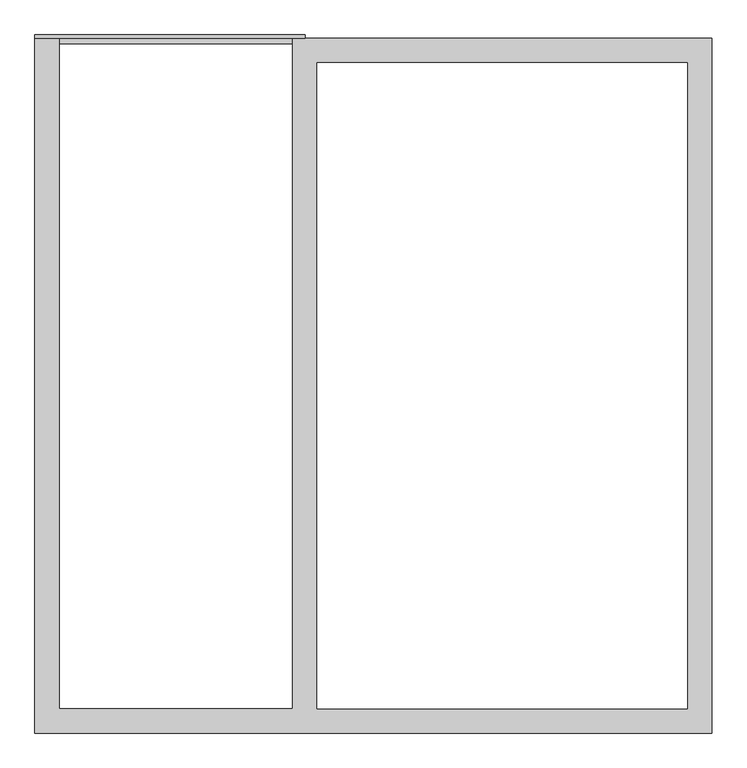
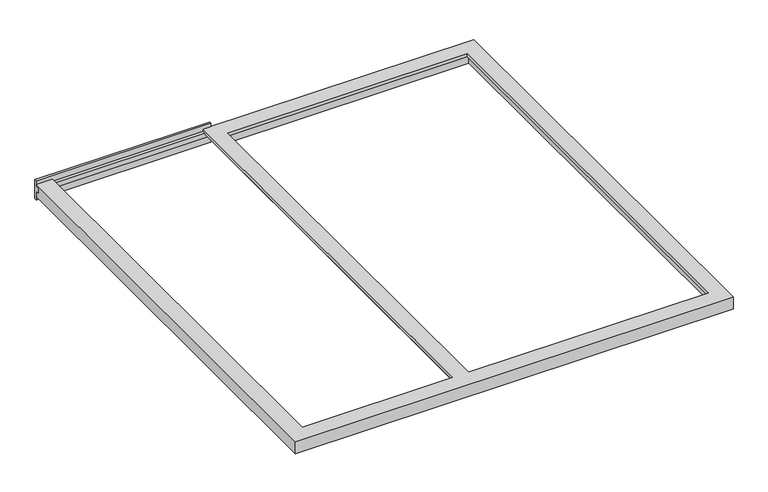
"""IFC4 building model written with IfcOpenShell, lengths in millimetres: proxy geometry."""

from ifc_helpers import new_model, si_unit, frame, origin, place, context, project, spatial, polyline, outline, extrude, faceted_brep, source, transform, mapped, element, save


def generic_models_37aed63e(model_context):
    return source(origin(), model_context, "Body", "SolidModel", [
        extrude(outline(polyline([(12.0, -86.0), (0.0, -86.0), (0.0, -37.0), (-18.0, -37.0), (-18.0, -12.0), (0.0, -12.0), (0.0, 19.0), (12.0, 19.0), (12.0, -86.0)])), frame((0.0, 0.0, 0.0), z_axis=(1.0, 0.0, 0.0), x_axis=(0.0, 1.0, 0.0)), (0.0, 0.0, 1.0), 914.5),
        faceted_brep([(0.0, 0.0, -68.0), (0.0, 0.0, 0.0), (83.0, 0.0, 0.0), (83.0, 0.0, -16.0), (68.0, 0.0, -16.0), (68.0, 0.0, -37.0), (48.0, 0.0, -37.0), (48.0, 0.0, -68.0), (0.0, -2350.0, -68.0), (2292.0, -2350.0, -68.0), (2292.0, -2350.0, 0.0), (0.0, -2350.0, 0.0), (48.0, -2302.0, -68.0), (908.0, -2302.0, -68.0), (908.0, 0.0, -68.0), (2292.0, 0.0, -68.0), (938.0, -2285.0, -68.0), (2227.0, -2285.0, -68.0), (2227.0, -65.0, -68.0), (938.0, -65.0, -68.0), (68.0, -2282.0, -16.0), (68.0, -2282.0, -37.0), (83.0, -2267.0, -16.0), (873.0, -2267.0, -16.0), (873.0, 0.0, -16.0), (888.0, 0.0, -16.0), (888.0, -2282.0, -16.0), (83.0, -2267.0, 0.0), (2292.0, 0.0, 0.0), (873.0, 0.0, 0.0), (873.0, -2267.0, 0.0), (2209.0, -2267.0, 0.0), (956.0, -2267.0, 0.0), (956.0, -83.0, 0.0), (2209.0, -83.0, 0.0), (908.0, 0.0, -37.0), (888.0, 0.0, -37.0), (938.0, -65.0, -16.0), (938.0, -2285.0, -16.0), (2227.0, -65.0, -16.0), (2227.0, -2285.0, -16.0), (2209.0, -2267.0, -16.0), (2209.0, -83.0, -16.0), (956.0, -83.0, -16.0), (956.0, -2267.0, -16.0), (908.0, -2302.0, -37.0), (48.0, -2302.0, -37.0), (888.0, -2282.0, -37.0)], [[[0, 1, 2, 3, 4, 5, 6, 7]], [[8, 9, 10, 11]], [[7, 12, 13, 14, 15, 9, 8, 0], [16, 17, 18, 19]], [[4, 20, 21, 5]], [[3, 22, 23, 24, 25, 26, 20, 4]], [[2, 27, 22, 3]], [[1, 11, 10, 28, 29, 30, 27, 2], [31, 32, 33, 34]], [[0, 8, 11, 1]], [[28, 15, 14, 35, 36, 25, 24, 29]], [[16, 19, 37, 38]], [[38, 37, 39, 40], [41, 42, 43, 44]], [[44, 43, 33, 32]], [[14, 13, 45, 35]], [[6, 46, 12, 7]], [[5, 21, 47, 36, 35, 45, 46, 6]], [[36, 47, 26, 25]], [[30, 23, 22, 27]], [[21, 20, 26, 47]], [[24, 23, 30, 29]], [[15, 28, 10, 9]], [[32, 31, 41, 44]], [[38, 40, 17, 16]], [[39, 18, 17, 40]], [[31, 34, 42, 41]], [[18, 39, 37, 19]], [[33, 43, 42, 34]], [[12, 46, 45, 13]]]),
    ])


if __name__ == "__main__":
    model = new_model("IFC4")
    model_context = context("Model", 3, world=origin())
    ifc_project = project(units=[si_unit("LENGTHUNIT", "METRE", prefix="MILLI")], contexts=[model_context])
    site = spatial("IfcSite", under=ifc_project)
    building = spatial("IfcBuilding", under=site)
    placement = place(None, origin())
    generic_models_shape = generic_models_37aed63e(model_context)
    element("IfcBuildingElementProxy", 1, Name="Generic Models", at=placement, inside=building, context=model_context, shape_type="MappedRepresentation", body=[
        mapped(generic_models_shape, transform((0.0, 0.0, 0.0), x_axis=(1.0, 0.0, 0.0), y_axis=(0.0, 1.0, 0.0), z_axis=(0.0, 0.0, 1.0))),
    ])
    save(model, "model.ifc")
